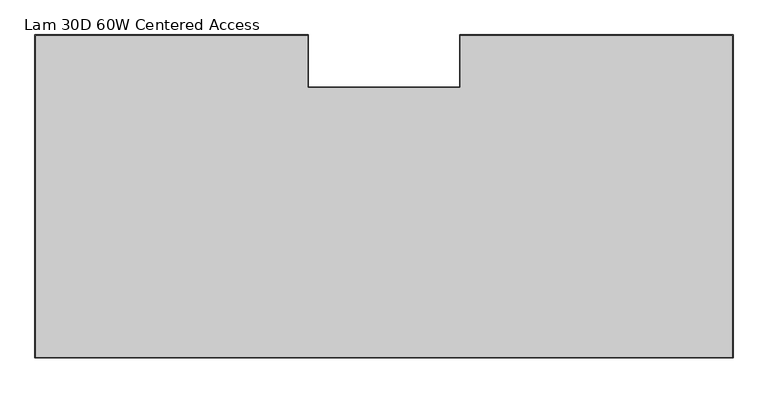
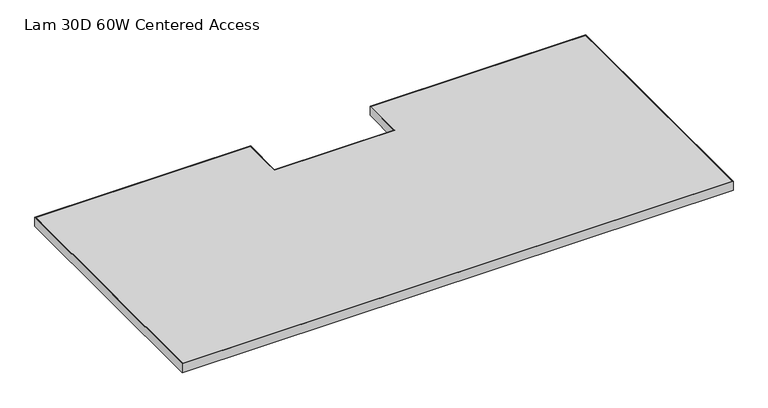
"""IFC4 building model written with IfcOpenShell, lengths in millimetres: furniture geometry, Lam 30D 60W Centered Access."""

from ifc_helpers import new_model, si_unit, frame, origin, place, context, project, spatial, polyline, outline, extrude, source, transform, mapped, element, save


def lam_30d_60w_centered_access_ac669905(model_context):
    return source(origin(), model_context, "Body", "SweptSolid", [
        extrude(outline(polyline([(1520.9520029, -54.1019984), (1520.9520029, -758.8250121), (0.0, -758.8250121), (0.0, -54.1019984), (595.6299952, -54.1019984), (595.6299952, -168.1480031), (925.3220078, -168.1480031), (925.3220078, -54.1019984), (1520.9520029, -54.1019984)]), holes=[polyline([(1.6002, -55.7021984), (1.6002, -757.2248121), (1519.3518029, -757.2248121), (1519.3518029, -55.7021984), (926.9222078, -55.7021984), (926.9222078, -169.7482031), (594.0297952, -169.7482031), (594.0297952, -55.7021984), (1.6002, -55.7021984)])]), frame((0.0, 0.0, 697.23), z_axis=(0.0, 0.0, 1.0), x_axis=(1.0, 0.0, 0.0)), (0.0, 0.0, 1.0), 26.67),
        extrude(outline(polyline([(1.6002, -757.2248121), (1.6002, -55.7021984), (594.0297952, -55.7021984), (594.0297952, -169.7482031), (926.9222078, -169.7482031), (926.9222078, -55.7021984), (1519.3518029, -55.7021984), (1519.3518029, -757.2248121), (1.6002, -757.2248121)])), frame((0.0, 0.0, 697.23), z_axis=(0.0, 0.0, 1.0), x_axis=(1.0, 0.0, 0.0)), (0.0, 0.0, 1.0), 26.67),
    ])


if __name__ == "__main__":
    model = new_model("IFC4")
    model_context = context("Model", 3, world=origin())
    ifc_project = project(units=[si_unit("LENGTHUNIT", "METRE", prefix="MILLI")], contexts=[model_context])
    site = spatial("IfcSite", under=ifc_project)
    building = spatial("IfcBuilding", under=site)
    placement = place(None, origin())
    lam_30d_60w_centered_access_shape = lam_30d_60w_centered_access_ac669905(model_context)
    element("IfcFurniture", 1, ObjectType="Lam 30D 60W Centered Access", at=placement, inside=building, context=model_context, shape_type="MappedRepresentation", body=[
        mapped(lam_30d_60w_centered_access_shape, transform((0.0, 0.0, 0.0), x_axis=(1.0, 0.0, 0.0), y_axis=(0.0, 1.0, 0.0), z_axis=(0.0, 0.0, 1.0))),
    ])
    save(model, "model.ifc")
